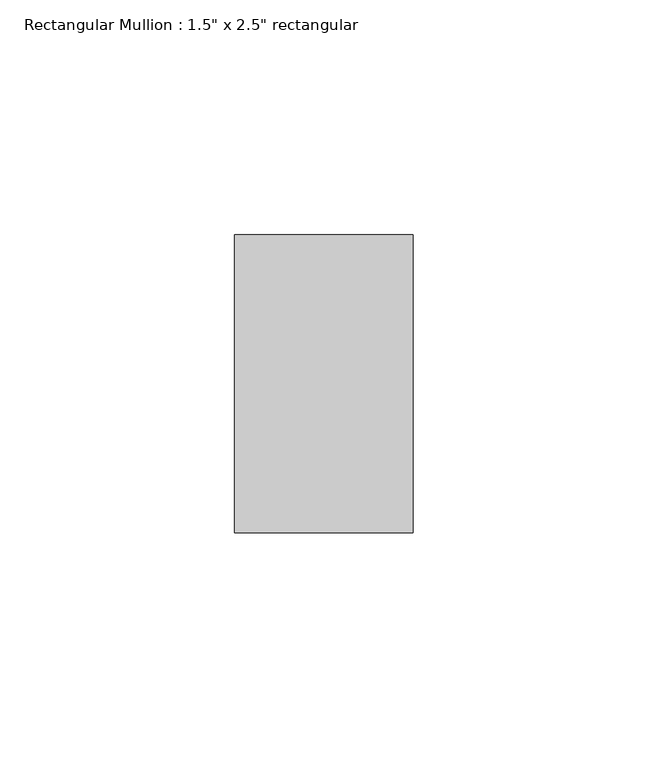
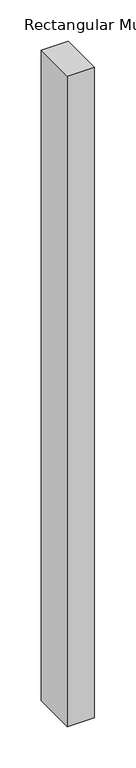
"""IFC4 building model written with IfcOpenShell, lengths in millimetres: member geometry."""

from ifc_helpers import new_model, si_unit, frame, origin, place, context, project, spatial, polyline, outline, extrude, source, transform, mapped, element, save


def member_32999801(model_context):
    return source(origin(), model_context, "Body", "SweptSolid", [
        extrude(outline(polyline([(0.0, 31.75), (0.0, -31.75), (-38.1, -31.75), (-38.1, 31.75), (0.0, 31.75)])), frame((0.0, 0.0, -965.2), z_axis=(0.0, 0.0, 1.0), x_axis=(1.0, 0.0, 0.0)), (0.0, 0.0, 1.0), 965.2),
    ])


if __name__ == "__main__":
    model = new_model("IFC4")
    model_context = context("Model", 3, world=origin())
    ifc_project = project(units=[si_unit("LENGTHUNIT", "METRE", prefix="MILLI")], contexts=[model_context])
    site = spatial("IfcSite", under=ifc_project)
    building = spatial("IfcBuilding", under=site)
    placement = place(None, origin())
    member_shape = member_32999801(model_context)
    element("IfcMember", 1, ObjectType="Rectangular Mullion : 1.5\" x 2.5\" rectangular", at=placement, inside=building, context=model_context, shape_type="MappedRepresentation", body=[
        mapped(member_shape, transform((0.0, 0.0, 0.0), x_axis=(1.0, 0.0, 0.0), y_axis=(0.0, 1.0, 0.0), z_axis=(0.0, 0.0, 1.0))),
    ])
    save(model, "model.ifc")
